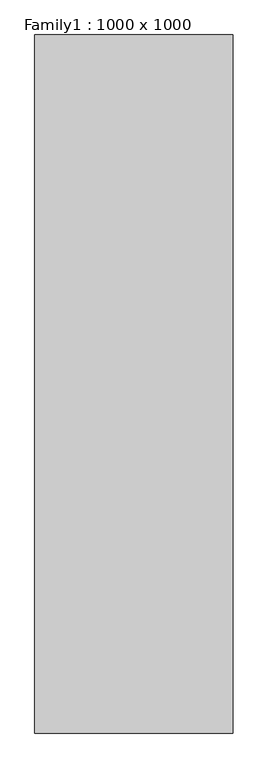
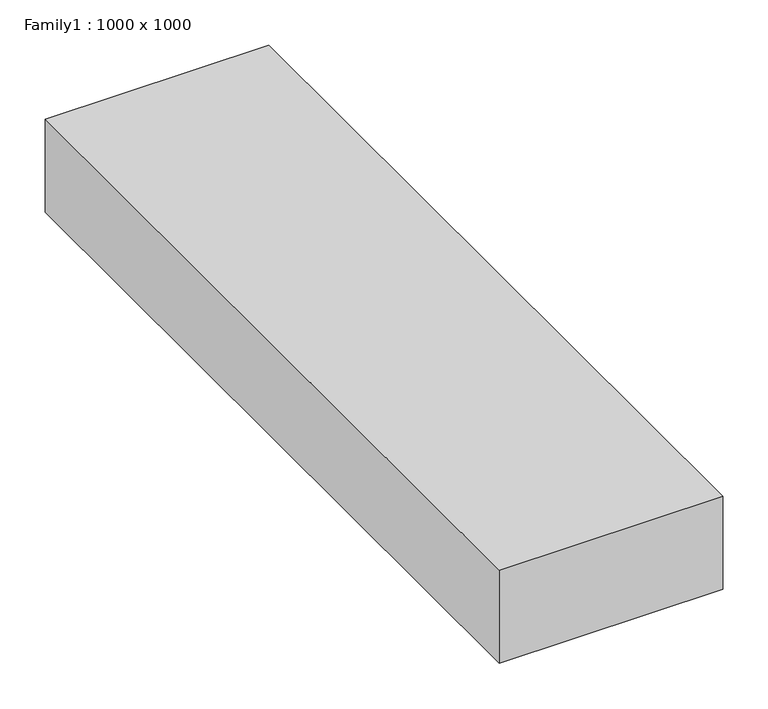
"""IFC4 building model written with IfcOpenShell, lengths in millimetres: proxy geometry, Family1 : 1000 x 1000."""

import ifcopenshell
import ifcopenshell.guid

model = None  # the IFC model being written
_history = None  # IfcOwnerHistory: only IFC2X3 demands one
_inside = {}  # id of a spatial element -> (the spatial element, [elements in it])
_under = {}  # id of a project, library or spatial element -> (it, [spatial elements below it])
_declared = {}  # id of a project -> (the project, [libraries it declares])
_typed = {}  # id of a type object -> (the type object, [elements of that type])
_made_of = {}  # id of a material, layer set ... -> (it, [elements and type objects made of it])


def new_model(schema):
    """Start an empty IFC model of exactly this schema.

    Asked for "IFC4X3", IfcOpenShell would pick the latest addendum, in which some entities
    have other attributes; the version numbers below select the first issue.
    IFC2X3 requires an IfcOwnerHistory on every rooted entity: one is made here for all.
    """
    global model, _history
    if schema == "IFC4X3":
        model = ifcopenshell.file(schema_version=(4, 3, 0, 0))
    else:
        model = ifcopenshell.file(schema=schema)
    _inside.clear()
    _under.clear()
    _declared.clear()
    _typed.clear()
    _made_of.clear()
    _history = None
    if model.schema == "IFC2X3":
        org = make("IfcOrganization", Name="unknown")
        user = make(
            "IfcPersonAndOrganization",
            ThePerson=make("IfcPerson", FamilyName="unknown"),
            TheOrganization=org,
        )
        app = make(
            "IfcApplication",
            ApplicationDeveloper=org,
            Version="unknown",
            ApplicationFullName="unknown",
            ApplicationIdentifier="unknown",
        )
        _history = make(
            "IfcOwnerHistory",
            OwningUser=user,
            OwningApplication=app,
            ChangeAction="ADDED",
            CreationDate=0,
        )
    return model


def make(cls, **values):
    """One entity of the class cls with the attributes given. An attribute that is None is left unset."""
    return model.create_entity(
        cls, **{name: value for name, value in values.items() if value is not None}
    )


def rooted(cls, **values):
    """An entity with a GlobalId (a new one), such as an element, a storey or a relation."""
    return make(cls, GlobalId=ifcopenshell.guid.new(), OwnerHistory=_history, **values)


def si_unit(unit_type, name, prefix=None):
    """IfcSIUnit, for example si_unit("LENGTHUNIT", "METRE", prefix="MILLI")."""
    return make("IfcSIUnit", UnitType=unit_type, Prefix=prefix, Name=name)


def assignment(units):
    """IfcUnitAssignment: the units of a project."""
    return None if units is None else make("IfcUnitAssignment", Units=units)


def point(xyz):
    """IfcCartesianPoint."""
    return None if xyz is None else make("IfcCartesianPoint", Coordinates=xyz)


def direction(xyz):
    """IfcDirection."""
    return None if xyz is None else make("IfcDirection", DirectionRatios=xyz)


def frame(location, z_axis=None, x_axis=None):
    """IfcAxis2Placement3D, a coordinate frame: its origin and axes. An axis left out is left unset."""
    return make(
        "IfcAxis2Placement3D",
        Location=point(location),
        Axis=direction(z_axis),
        RefDirection=direction(x_axis),
    )


def origin():
    """The frame at (0, 0, 0) with its axes left unset."""
    return frame((0.0, 0.0, 0.0))


def place(relative_to, where):
    """IfcLocalPlacement: puts the frame where relative to a parent placement (None: the world)."""
    return make(
        "IfcLocalPlacement", PlacementRelTo=relative_to, RelativePlacement=where
    )


def context(
    kind, dimensions, precision=None, world=None, true_north=None, identifier=None
):
    """IfcGeometricRepresentationContext, for example the 3D "Model" context."""
    return make(
        "IfcGeometricRepresentationContext",
        ContextIdentifier=identifier,
        ContextType=kind,
        CoordinateSpaceDimension=dimensions,
        Precision=precision,
        WorldCoordinateSystem=world,
        TrueNorth=true_north,
    )


def project(units=None, contexts=None):
    """IfcProject with its units and contexts."""
    return rooted(
        "IfcProject",
        Name="project",
        RepresentationContexts=contexts,
        UnitsInContext=assignment(units),
    )


def spatial(cls, under=None, at=None, **own):
    """A site, building, storey or space (cls), placed at a placement, below another one or the project."""
    s = rooted(cls, ObjectPlacement=at, **own)
    if under is not None:
        _under.setdefault(under.id(), (under, []))[1].append(s)
    return s


def polyline(points):
    """IfcPolyline through the points."""
    return make("IfcPolyline", Points=[point(p) for p in points])


def outline(outer, holes=None, kind="AREA"):
    """IfcArbitraryClosedProfileDef: a profile drawn as a closed curve; with holes, ...WithVoids."""
    if holes is None:
        return make("IfcArbitraryClosedProfileDef", ProfileType=kind, OuterCurve=outer)
    return make(
        "IfcArbitraryProfileDefWithVoids",
        ProfileType=kind,
        OuterCurve=outer,
        InnerCurves=holes,
    )


def extrude(swept, where, along, depth):
    """IfcExtrudedAreaSolid: the profile swept, set in the frame where, extruded along a direction by depth."""
    return make(
        "IfcExtrudedAreaSolid",
        SweptArea=swept,
        Position=where,
        ExtrudedDirection=direction(along),
        Depth=depth,
    )


def shape(context_of_items, identifier, shape_type, items):
    """IfcShapeRepresentation: the items that make up one representation, for example the "Body"."""
    return make(
        "IfcShapeRepresentation",
        ContextOfItems=context_of_items,
        RepresentationIdentifier=identifier,
        RepresentationType=shape_type,
        Items=items,
    )


def source(mapping_origin, context_of_items, identifier, shape_type, items):
    """IfcRepresentationMap: a shape defined once, which mapped items show again and again."""
    return make(
        "IfcRepresentationMap",
        MappingOrigin=mapping_origin,
        MappedRepresentation=shape(context_of_items, identifier, shape_type, items),
    )


def transform(
    local_origin,
    x_axis=None,
    y_axis=None,
    z_axis=None,
    scale=None,
    scale2=None,
    scale3=None,
    uniform=True,
):
    """IfcCartesianTransformationOperator3D, or its non-uniform kind. x_axis, y_axis, z_axis: its Axis1, 2, 3."""
    if uniform:
        return make(
            "IfcCartesianTransformationOperator3D",
            Axis1=direction(x_axis),
            Axis2=direction(y_axis),
            LocalOrigin=point(local_origin),
            Scale=scale,
            Axis3=direction(z_axis),
        )
    return make(
        "IfcCartesianTransformationOperator3DnonUniform",
        Axis1=direction(x_axis),
        Axis2=direction(y_axis),
        LocalOrigin=point(local_origin),
        Scale=scale,
        Axis3=direction(z_axis),
        Scale2=scale2,
        Scale3=scale3,
    )


def mapped(mapping_source, mapping_target):
    """IfcMappedItem: shows the shape of a source again, moved by a transform."""
    return make(
        "IfcMappedItem", MappingSource=mapping_source, MappingTarget=mapping_target
    )


def made_of(thing, what):
    """Note that an element or type object is made of a material, layer set ...; save() writes the relation."""
    if what is not None:
        _made_of.setdefault(what.id(), (what, []))[1].append(thing)
    return thing


def element(
    cls,
    number,
    at=None,
    inside=None,
    cuts=None,
    type_object=None,
    material=None,
    context=None,
    identifier="Body",
    shape_type=None,
    held_by="IfcProductDefinitionShape",
    body=None,
    shapes=None,
    **own,
):
    """One element of the class cls, such as IfcWall. Its Tag is "e" and its number.

    at: its placement. inside: the storey or other place that contains it. cuts: it is an
    opening in that element (IfcRelVoidsElement). A single representation is given by context,
    identifier, shape_type and body (its items); several are given by shapes. held_by: the class
    of the entity that holds the representations. save() writes the other relations.
    """
    e = rooted(cls, Tag="e%d" % number, ObjectPlacement=at, **own)
    if body is not None:
        shapes = [shape(context, identifier, shape_type, body)]
    if shapes is not None:
        e.Representation = make(held_by, Representations=shapes)
    if inside is not None:
        _inside.setdefault(inside.id(), (inside, []))[1].append(e)
    if cuts is not None:
        rooted(
            "IfcRelVoidsElement", RelatingBuildingElement=cuts, RelatedOpeningElement=e
        )
    if type_object is not None:
        _typed.setdefault(type_object.id(), (type_object, []))[1].append(e)
    return made_of(e, material)


def aggregate(whole, parts):
    """IfcRelAggregates: a whole, such as a stair, and the parts it consists of."""
    return rooted("IfcRelAggregates", RelatingObject=whole, RelatedObjects=parts)


def save(model, path):
    """Write the relations noted so far, then the file.

    IfcRelAggregates (storeys below a building ...), IfcRelContainedInSpatialStructure (elements
    in a storey), IfcRelDefinesByType, IfcRelAssociatesMaterial and IfcRelDeclares: one each for
    every whole, place, type object, material and project.
    """
    for whole, parts in _under.values():
        aggregate(whole, parts)
    for where, things in _inside.values():
        rooted(
            "IfcRelContainedInSpatialStructure",
            RelatedElements=things,
            RelatingStructure=where,
        )
    for kind, things in _typed.values():
        rooted("IfcRelDefinesByType", RelatedObjects=things, RelatingType=kind)
    for what, things in _made_of.values():
        rooted("IfcRelAssociatesMaterial", RelatedObjects=things, RelatingMaterial=what)
    for by, libraries in _declared.values():
        rooted("IfcRelDeclares", RelatingContext=by, RelatedDefinitions=libraries)
    model.write(path)


def family1_1000_x_1000_6ac0d502(model_context):
    return source(origin(), model_context, "Body", "SweptSolid", [
        extrude(outline(polyline([(142.0143139, 500.0), (142.0143139, -500.0), (-142.0143139, -500.0), (-142.0143139, 500.0), (142.0143139, 500.0)])), frame((0.0, 0.0, -25.0), z_axis=(0.0, 0.0, 1.0), x_axis=(1.0, 0.0, 0.0)), (0.0, 0.0, 1.0), 125.0),
    ])


if __name__ == "__main__":
    model = new_model("IFC4")
    model_context = context("Model", 3, world=origin())
    ifc_project = project(units=[si_unit("LENGTHUNIT", "METRE", prefix="MILLI")], contexts=[model_context])
    site = spatial("IfcSite", under=ifc_project)
    building = spatial("IfcBuilding", under=site)
    placement = place(None, origin())
    family1_1000_x_1000_shape = family1_1000_x_1000_6ac0d502(model_context)
    element("IfcBuildingElementProxy", 1, Name="Family1 : 1000 x 1000", ObjectType="Family1 : 1000 x 1000", at=placement, inside=building, context=model_context, shape_type="MappedRepresentation", body=[
        mapped(family1_1000_x_1000_shape, transform((0.0, 0.0, 0.0), x_axis=(1.0, 0.0, 0.0), y_axis=(0.0, 1.0, 0.0), z_axis=(0.0, 0.0, 1.0))),
    ])
    save(model, "model.ifc")
